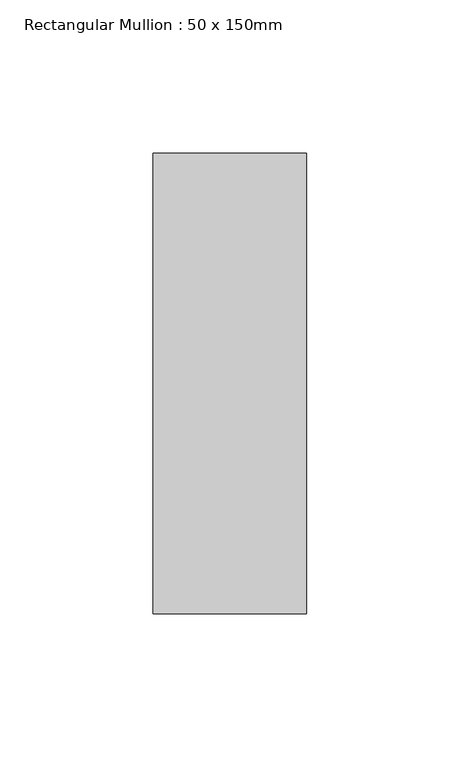
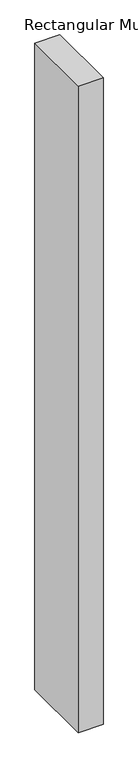
"""IFC4 building model written with IfcOpenShell, lengths in millimetres: member geometry, Rectangular Mullion : 50 x 150mm."""

from ifc_helpers import new_model, si_unit, frame, origin, place, context, project, spatial, polyline, outline, extrude, source, transform, mapped, element, save


def rectangular_mullion_50_x_150mm_8c5366be(model_context):
    return source(origin(), model_context, "Body", "SweptSolid", [
        extrude(outline(polyline([(0.0, 75.0), (0.0, -75.0), (-50.0, -75.0), (-50.0, 75.0), (0.0, 75.0)])), frame((0.0, 0.0, -1370.6248606), z_axis=(0.0, 0.0, 1.0), x_axis=(1.0, 0.0, 0.0)), (0.0, 0.0, 1.0), 1370.6248606),
    ])


if __name__ == "__main__":
    model = new_model("IFC4")
    model_context = context("Model", 3, world=origin())
    ifc_project = project(units=[si_unit("LENGTHUNIT", "METRE", prefix="MILLI")], contexts=[model_context])
    site = spatial("IfcSite", under=ifc_project)
    building = spatial("IfcBuilding", under=site)
    placement = place(None, origin())
    rectangular_mullion_50_x_150mm_shape = rectangular_mullion_50_x_150mm_8c5366be(model_context)
    element("IfcMember", 1, ObjectType="Rectangular Mullion : 50 x 150mm", at=placement, inside=building, context=model_context, shape_type="MappedRepresentation", body=[
        mapped(rectangular_mullion_50_x_150mm_shape, transform((0.0, 0.0, 0.0), x_axis=(1.0, 0.0, 0.0), y_axis=(0.0, 1.0, 0.0), z_axis=(0.0, 0.0, 1.0))),
    ])
    save(model, "model.ifc")
